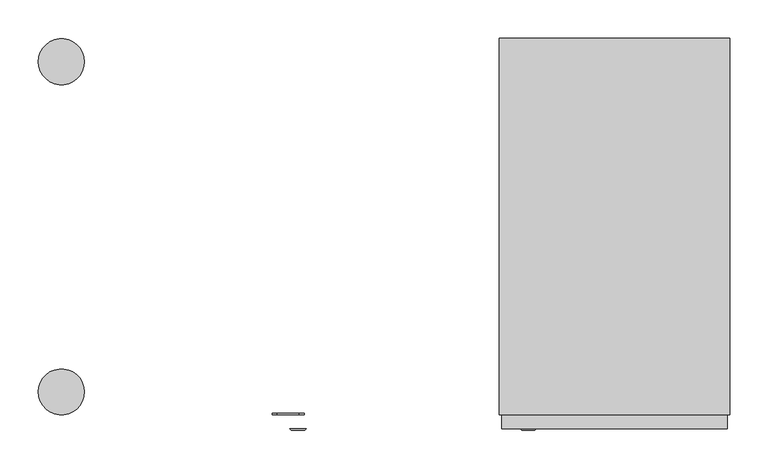
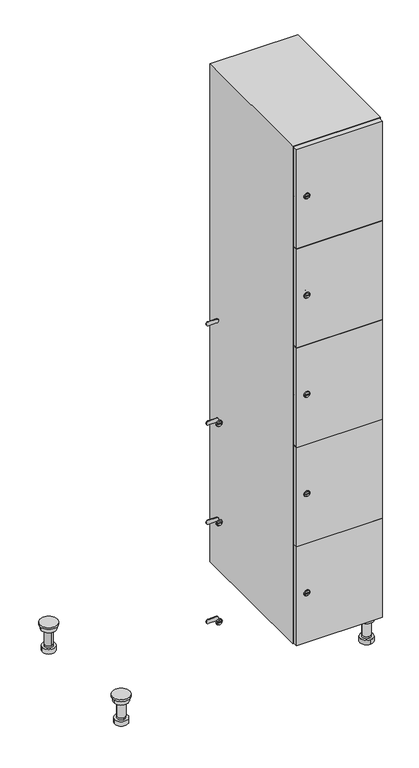
"""IFC4 building model written with IfcOpenShell, lengths in millimetres: furniture geometry."""

from ifc_helpers import new_model, si_unit, point, frame, frame_2d, origin, place, context, project, spatial, polyline, circle_curve, trimmed, segment, composite_curve, outline, extrude, faceted_brep, source, transform, mapped, element, save
from ifc_brep_helpers import plane_surface, cylinder_surface, revolved_surface, advanced_brep


def furniture_c648f537(model_context):
    return source(origin(), model_context, "Body", "SolidModel", [
        advanced_brep(
        [(670.0, -201.0, 22.0), (670.0, -201.5, 16.0), (670.0, -228.5, 16.0), (670.0, -229.0, 22.0), (656.0, -215.0, 22.0), (684.0, -215.0, 22.0), (670.0, -192.5, 16.0), (670.0, -237.5, 16.0), (670.0, -192.5, 0.0), (670.0, -237.5, 0.0), (684.0, -215.0, 78.0), (656.0, -215.0, 78.0), (695.0, -215.0, 78.0), (645.0, -215.0, 78.0), (700.0, -215.0, 94.0), (640.0, -215.0, 94.0), (645.0, -215.0, 94.0), (695.0, -215.0, 94.0), (700.0, -215.0, 100.0), (640.0, -215.0, 100.0)],
        [
            (0, 1),
            (1, 2, circle_curve(frame((670.0, -215.0, 16.0), z_axis=(0.0, 0.0, 1.0), x_axis=(0.0, -1.0, 0.0)), 13.5)),
            (2, 3),
            (3, 4, circle_curve(frame((670.0, -215.0, 22.0), z_axis=(0.0, 0.0, -1.0), x_axis=(0.0, -1.0, 0.0)), 14.0)),
            (4, 0, circle_curve(frame((670.0, -215.0, 22.0), z_axis=(0.0, 0.0, -1.0), x_axis=(0.0, -1.0, 0.0)), 14.0)),
            (0, 5, circle_curve(frame((670.0, -215.0, 22.0), z_axis=(0.0, 0.0, -1.0), x_axis=(0.0, 1.0, 0.0)), 14.0)),
            (5, 3, circle_curve(frame((670.0, -215.0, 22.0), z_axis=(0.0, 0.0, -1.0), x_axis=(0.0, 1.0, 0.0)), 14.0)),
            (2, 1, circle_curve(frame((670.0, -215.0, 16.0), z_axis=(0.0, 0.0, 1.0), x_axis=(0.0, 1.0, 0.0)), 13.5)),
            (6, 7, circle_curve(frame((670.0, -215.0, 16.0), z_axis=(0.0, 0.0, 1.0), x_axis=(0.0, -1.0, 0.0)), 22.5)),
            (7, 6, circle_curve(frame((670.0, -215.0, 16.0), z_axis=(0.0, 0.0, 1.0), x_axis=(0.0, -1.0, 0.0)), 22.5)),
            (8, 9, circle_curve(frame((670.0, -215.0, 0.0), z_axis=(0.0, 0.0, -1.0), x_axis=(0.0, -1.0, 0.0)), 22.5)),
            (9, 8, circle_curve(frame((670.0, -215.0, 0.0), z_axis=(0.0, 0.0, -1.0), x_axis=(0.0, -1.0, 0.0)), 22.5)),
            (6, 8),
            (9, 7),
            (5, 10),
            (10, 11, circle_curve(frame((670.0, -215.0, 78.0), z_axis=(0.0, 0.0, -1.0), x_axis=(-1.0, 0.0, 0.0)), 14.0)),
            (11, 4),
            (11, 10, circle_curve(frame((670.0, -215.0, 78.0), z_axis=(0.0, 0.0, -1.0), x_axis=(-1.0, 0.0, 0.0)), 14.0)),
            (12, 13, circle_curve(frame((670.0, -215.0, 78.0), z_axis=(0.0, 0.0, -1.0), x_axis=(-1.0, 0.0, 0.0)), 25.0)),
            (13, 12, circle_curve(frame((670.0, -215.0, 78.0), z_axis=(0.0, 0.0, -1.0), x_axis=(-1.0, 0.0, 0.0)), 25.0)),
            (14, 15, circle_curve(frame((670.0, -215.0, 94.0), z_axis=(0.0, 0.0, -1.0), x_axis=(-1.0, 0.0, 0.0)), 30.0)),
            (15, 14, circle_curve(frame((670.0, -215.0, 94.0), z_axis=(0.0, 0.0, -1.0), x_axis=(-1.0, 0.0, 0.0)), 30.0)),
            (16, 17, circle_curve(frame((670.0, -215.0, 94.0), z_axis=(0.0, 0.0, 1.0), x_axis=(-1.0, 0.0, 0.0)), 25.0)),
            (17, 16, circle_curve(frame((670.0, -215.0, 94.0), z_axis=(0.0, 0.0, 1.0), x_axis=(-1.0, 0.0, 0.0)), 25.0)),
            (18, 19, circle_curve(frame((670.0, -215.0, 100.0), z_axis=(0.0, 0.0, 1.0), x_axis=(-1.0, 0.0, 0.0)), 30.0)),
            (19, 18, circle_curve(frame((670.0, -215.0, 100.0), z_axis=(0.0, 0.0, 1.0), x_axis=(-1.0, 0.0, 0.0)), 30.0)),
            (14, 18),
            (19, 15),
            (12, 17),
            (16, 13),
        ],
        [
            revolved_surface(polyline([(670.0, -201.5, 16.0), (670.0, -201.0, 22.0)]), (670.0, -215.0, -146.0), (0.0, 0.0, 1.0)),
            plane_surface(frame((670.0, 0.0, 16.0), z_axis=(0.0, 0.0, 1.0), x_axis=(0.0, -1.0, 0.0))),
            plane_surface(frame((670.0, 0.0, 0.0), z_axis=(0.0, 0.0, -1.0), x_axis=(0.0, -1.0, 0.0))),
            cylinder_surface(frame((670.0, -215.0, 16.0), z_axis=(0.0, 0.0, 1.0), x_axis=(0.0, -1.0, 0.0)), 22.5),
            cylinder_surface(frame((670.0, -215.0, 22.0), z_axis=(0.0, 0.0, -1.0), x_axis=(-1.0, 0.0, 0.0)), 14.0),
            plane_surface(frame((670.0, 0.0, 78.0), z_axis=(0.0, 0.0, -1.0), x_axis=(0.0, -1.0, 0.0))),
            plane_surface(frame((670.0, 0.0, 94.0), z_axis=(0.0, 0.0, -1.0), x_axis=(0.0, -1.0, 0.0))),
            plane_surface(frame((670.0, 0.0, 100.0), z_axis=(0.0, 0.0, 1.0), x_axis=(0.0, -1.0, 0.0))),
            cylinder_surface(frame((670.0, -215.0, 94.0), z_axis=(0.0, 0.0, -1.0), x_axis=(-1.0, 0.0, 0.0)), 30.0),
            cylinder_surface(frame((670.0, -215.0, 78.0), z_axis=(0.0, 0.0, -1.0), x_axis=(-1.0, 0.0, 0.0)), 25.0),
        ],
        [
            (0, [[1, 2, 3, 4, 5]]),
            (0, [[-1, 6, 7, -3, 8]]),
            (1, [[9, 10], [-2, -8]]),
            (2, [[11, 12]]),
            (3, [[-9, 13, -12, 14]]),
            (3, [[-10, -14, -11, -13]]),
            (4, [[15, 16, 17, -4, -7]]),
            (4, [[-15, -6, -5, -17, 18]]),
            (5, [[19, 20], [-16, -18]]),
            (6, [[21, 22], [23, 24]]),
            (7, [[25, 26]]),
            (8, [[-21, 27, -26, 28]]),
            (8, [[-22, -28, -25, -27]]),
            (9, [[-19, 29, -23, 30]]),
            (9, [[-20, -30, -24, -29]]),
        ],
    ),
        advanced_brep(
        [(-170.0, -201.0, 22.0), (-170.0, -201.5, 16.0), (-170.0, -228.5, 16.0), (-170.0, -229.0, 22.0), (-184.0, -215.0, 22.0), (-156.0, -215.0, 22.0), (-147.5, -215.0, 0.0), (-192.5, -215.0, 0.0), (-147.5, -215.0, 16.0), (-192.5, -215.0, 16.0), (-156.0, -215.0, 78.0), (-184.0, -215.0, 78.0), (-145.0, -215.0, 78.0), (-195.0, -215.0, 78.0), (-140.0, -215.0, 94.0), (-200.0, -215.0, 94.0), (-195.0, -215.0, 94.0), (-145.0, -215.0, 94.0), (-140.0, -215.0, 100.0), (-200.0, -215.0, 100.0)],
        [
            (0, 1),
            (1, 2, circle_curve(frame((-170.0, -215.0, 16.0), z_axis=(0.0, 0.0, 1.0), x_axis=(0.0, -1.0, 0.0)), 13.5)),
            (2, 3),
            (3, 4, circle_curve(frame((-170.0, -215.0, 22.0), z_axis=(0.0, 0.0, -1.0), x_axis=(0.0, -1.0, 0.0)), 14.0)),
            (4, 0, circle_curve(frame((-170.0, -215.0, 22.0), z_axis=(0.0, 0.0, -1.0), x_axis=(0.0, -1.0, 0.0)), 14.0)),
            (0, 5, circle_curve(frame((-170.0, -215.0, 22.0), z_axis=(0.0, 0.0, -1.0), x_axis=(0.0, 1.0, 0.0)), 14.0)),
            (5, 3, circle_curve(frame((-170.0, -215.0, 22.0), z_axis=(0.0, 0.0, -1.0), x_axis=(0.0, 1.0, 0.0)), 14.0)),
            (2, 1, circle_curve(frame((-170.0, -215.0, 16.0), z_axis=(0.0, 0.0, 1.0), x_axis=(0.0, 1.0, 0.0)), 13.5)),
            (6, 7, circle_curve(frame((-170.0, -215.0, 0.0), z_axis=(0.0, 0.0, -1.0), x_axis=(-1.0, 0.0, 0.0)), 22.5)),
            (7, 6, circle_curve(frame((-170.0, -215.0, 0.0), z_axis=(0.0, 0.0, -1.0), x_axis=(-1.0, 0.0, 0.0)), 22.5)),
            (8, 9, circle_curve(frame((-170.0, -215.0, 16.0), z_axis=(0.0, 0.0, 1.0), x_axis=(-1.0, 0.0, 0.0)), 22.5)),
            (9, 8, circle_curve(frame((-170.0, -215.0, 16.0), z_axis=(0.0, 0.0, 1.0), x_axis=(-1.0, 0.0, 0.0)), 22.5)),
            (6, 8),
            (9, 7),
            (5, 10),
            (10, 11, circle_curve(frame((-170.0, -215.0, 78.0), z_axis=(0.0, 0.0, -1.0), x_axis=(-1.0, 0.0, 0.0)), 14.0)),
            (11, 4),
            (11, 10, circle_curve(frame((-170.0, -215.0, 78.0), z_axis=(0.0, 0.0, -1.0), x_axis=(-1.0, 0.0, 0.0)), 14.0)),
            (12, 13, circle_curve(frame((-170.0, -215.0, 78.0), z_axis=(0.0, 0.0, -1.0), x_axis=(-1.0, 0.0, 0.0)), 25.0)),
            (13, 12, circle_curve(frame((-170.0, -215.0, 78.0), z_axis=(0.0, 0.0, -1.0), x_axis=(-1.0, 0.0, 0.0)), 25.0)),
            (14, 15, circle_curve(frame((-170.0, -215.0, 94.0), z_axis=(0.0, 0.0, -1.0), x_axis=(-1.0, 0.0, 0.0)), 30.0)),
            (15, 14, circle_curve(frame((-170.0, -215.0, 94.0), z_axis=(0.0, 0.0, -1.0), x_axis=(-1.0, 0.0, 0.0)), 30.0)),
            (16, 17, circle_curve(frame((-170.0, -215.0, 94.0), z_axis=(0.0, 0.0, 1.0), x_axis=(-1.0, 0.0, 0.0)), 25.0)),
            (17, 16, circle_curve(frame((-170.0, -215.0, 94.0), z_axis=(0.0, 0.0, 1.0), x_axis=(-1.0, 0.0, 0.0)), 25.0)),
            (18, 19, circle_curve(frame((-170.0, -215.0, 100.0), z_axis=(0.0, 0.0, 1.0), x_axis=(-1.0, 0.0, 0.0)), 30.0)),
            (19, 18, circle_curve(frame((-170.0, -215.0, 100.0), z_axis=(0.0, 0.0, 1.0), x_axis=(-1.0, 0.0, 0.0)), 30.0)),
            (14, 18),
            (19, 15),
            (12, 17),
            (16, 13),
        ],
        [
            revolved_surface(polyline([(-170.0, -201.5, 16.0), (-170.0, -201.0, 22.0)]), (-170.0, -215.0, -146.0), (0.0, 0.0, 1.0)),
            plane_surface(frame((-170.0, 0.0, 0.0), z_axis=(0.0, 0.0, -1.0), x_axis=(0.0, -1.0, 0.0))),
            plane_surface(frame((-170.0, 0.0, 16.0), z_axis=(0.0, 0.0, 1.0), x_axis=(0.0, -1.0, 0.0))),
            cylinder_surface(frame((-170.0, -215.0, 0.0), z_axis=(0.0, 0.0, -1.0), x_axis=(-1.0, 0.0, 0.0)), 22.5),
            cylinder_surface(frame((-170.0, -215.0, 22.0), z_axis=(0.0, 0.0, -1.0), x_axis=(-1.0, 0.0, 0.0)), 14.0),
            plane_surface(frame((-170.0, 0.0, 78.0), z_axis=(0.0, 0.0, -1.0), x_axis=(0.0, -1.0, 0.0))),
            plane_surface(frame((-170.0, 0.0, 94.0), z_axis=(0.0, 0.0, -1.0), x_axis=(0.0, -1.0, 0.0))),
            plane_surface(frame((-170.0, 0.0, 100.0), z_axis=(0.0, 0.0, 1.0), x_axis=(0.0, -1.0, 0.0))),
            cylinder_surface(frame((-170.0, -215.0, 94.0), z_axis=(0.0, 0.0, -1.0), x_axis=(-1.0, 0.0, 0.0)), 30.0),
            cylinder_surface(frame((-170.0, -215.0, 78.0), z_axis=(0.0, 0.0, -1.0), x_axis=(-1.0, 0.0, 0.0)), 25.0),
        ],
        [
            (0, [[1, 2, 3, 4, 5]]),
            (0, [[-1, 6, 7, -3, 8]]),
            (1, [[9, 10]]),
            (2, [[11, 12], [-2, -8]]),
            (3, [[-9, 13, -12, 14]]),
            (3, [[-10, -14, -11, -13]]),
            (4, [[15, 16, 17, -4, -7]]),
            (4, [[-15, -6, -5, -17, 18]]),
            (5, [[19, 20], [-16, -18]]),
            (6, [[21, 22], [23, 24]]),
            (7, [[25, 26]]),
            (8, [[-21, 27, -26, 28]]),
            (8, [[-22, -28, -25, -27]]),
            (9, [[-19, 29, -23, 30]]),
            (9, [[-20, -30, -24, -29]]),
        ],
    ),
        advanced_brep(
        [(683.5, 215.0, 16.0), (684.0, 215.0, 22.0), (656.0, 215.0, 22.0), (656.5, 215.0, 16.0), (692.5, 215.0, 0.0), (647.5, 215.0, 0.0), (692.5, 215.0, 16.0), (647.5, 215.0, 16.0), (684.0, 215.0, 78.0), (656.0, 215.0, 78.0), (695.0, 215.0, 78.0), (645.0, 215.0, 78.0), (700.0, 215.0, 94.0), (640.0, 215.0, 94.0), (645.0, 215.0, 94.0), (695.0, 215.0, 94.0), (700.0, 215.0, 100.0), (640.0, 215.0, 100.0)],
        [
            (0, 1),
            (1, 2, circle_curve(frame((670.0, 215.0, 22.0), z_axis=(0.0, 0.0, -1.0), x_axis=(-1.0, 0.0, 0.0)), 14.0)),
            (2, 3),
            (3, 0, circle_curve(frame((670.0, 215.0, 16.0), z_axis=(0.0, 0.0, 1.0), x_axis=(-1.0, 0.0, 0.0)), 13.5)),
            (0, 3, circle_curve(frame((670.0, 215.0, 16.0), z_axis=(0.0, 0.0, 1.0), x_axis=(1.0, 0.0, 0.0)), 13.5)),
            (2, 1, circle_curve(frame((670.0, 215.0, 22.0), z_axis=(0.0, 0.0, -1.0), x_axis=(1.0, 0.0, 0.0)), 14.0)),
            (4, 5, circle_curve(frame((670.0, 215.0, 0.0), z_axis=(0.0, 0.0, -1.0), x_axis=(-1.0, 0.0, 0.0)), 22.5)),
            (5, 4, circle_curve(frame((670.0, 215.0, 0.0), z_axis=(0.0, 0.0, -1.0), x_axis=(-1.0, 0.0, 0.0)), 22.5)),
            (6, 7, circle_curve(frame((670.0, 215.0, 16.0), z_axis=(0.0, 0.0, 1.0), x_axis=(-1.0, 0.0, 0.0)), 22.5)),
            (7, 6, circle_curve(frame((670.0, 215.0, 16.0), z_axis=(0.0, 0.0, 1.0), x_axis=(-1.0, 0.0, 0.0)), 22.5)),
            (4, 6),
            (7, 5),
            (1, 8),
            (8, 9, circle_curve(frame((670.0, 215.0, 78.0), z_axis=(0.0, 0.0, -1.0), x_axis=(-1.0, 0.0, 0.0)), 14.0)),
            (9, 2),
            (9, 8, circle_curve(frame((670.0, 215.0, 78.0), z_axis=(0.0, 0.0, -1.0), x_axis=(-1.0, 0.0, 0.0)), 14.0)),
            (10, 11, circle_curve(frame((670.0, 215.0, 78.0), z_axis=(0.0, 0.0, -1.0), x_axis=(-1.0, 0.0, 0.0)), 25.0)),
            (11, 10, circle_curve(frame((670.0, 215.0, 78.0), z_axis=(0.0, 0.0, -1.0), x_axis=(-1.0, 0.0, 0.0)), 25.0)),
            (12, 13, circle_curve(frame((670.0, 215.0, 94.0), z_axis=(0.0, 0.0, -1.0), x_axis=(-1.0, 0.0, 0.0)), 30.0)),
            (13, 12, circle_curve(frame((670.0, 215.0, 94.0), z_axis=(0.0, 0.0, -1.0), x_axis=(-1.0, 0.0, 0.0)), 30.0)),
            (14, 15, circle_curve(frame((670.0, 215.0, 94.0), z_axis=(0.0, 0.0, 1.0), x_axis=(-1.0, 0.0, 0.0)), 25.0)),
            (15, 14, circle_curve(frame((670.0, 215.0, 94.0), z_axis=(0.0, 0.0, 1.0), x_axis=(-1.0, 0.0, 0.0)), 25.0)),
            (16, 17, circle_curve(frame((670.0, 215.0, 100.0), z_axis=(0.0, 0.0, 1.0), x_axis=(-1.0, 0.0, 0.0)), 30.0)),
            (17, 16, circle_curve(frame((670.0, 215.0, 100.0), z_axis=(0.0, 0.0, 1.0), x_axis=(-1.0, 0.0, 0.0)), 30.0)),
            (12, 16),
            (17, 13),
            (10, 15),
            (14, 11),
        ],
        [
            revolved_surface(polyline([(683.5, 215.0, 16.0), (684.0, 215.0, 22.0)]), (670.0, 215.0, -146.0), (0.0, 0.0, 1.0)),
            plane_surface(frame((670.0, 0.0, 0.0), z_axis=(0.0, 0.0, -1.0), x_axis=(0.0, -1.0, 0.0))),
            plane_surface(frame((670.0, 0.0, 16.0), z_axis=(0.0, 0.0, 1.0), x_axis=(0.0, -1.0, 0.0))),
            cylinder_surface(frame((670.0, 215.0, 0.0), z_axis=(0.0, 0.0, -1.0), x_axis=(-1.0, 0.0, 0.0)), 22.5),
            cylinder_surface(frame((670.0, 215.0, 22.0), z_axis=(0.0, 0.0, -1.0), x_axis=(-1.0, 0.0, 0.0)), 14.0),
            plane_surface(frame((670.0, 0.0, 78.0), z_axis=(0.0, 0.0, -1.0), x_axis=(0.0, -1.0, 0.0))),
            plane_surface(frame((670.0, 0.0, 94.0), z_axis=(0.0, 0.0, -1.0), x_axis=(0.0, -1.0, 0.0))),
            plane_surface(frame((670.0, 0.0, 100.0), z_axis=(0.0, 0.0, 1.0), x_axis=(0.0, -1.0, 0.0))),
            cylinder_surface(frame((670.0, 215.0, 94.0), z_axis=(0.0, 0.0, -1.0), x_axis=(-1.0, 0.0, 0.0)), 30.0),
            cylinder_surface(frame((670.0, 215.0, 78.0), z_axis=(0.0, 0.0, -1.0), x_axis=(-1.0, 0.0, 0.0)), 25.0),
        ],
        [
            (0, [[1, 2, 3, 4]]),
            (0, [[-1, 5, -3, 6]]),
            (1, [[7, 8]]),
            (2, [[9, 10], [-4, -5]]),
            (3, [[-7, 11, -10, 12]]),
            (3, [[-8, -12, -9, -11]]),
            (4, [[13, 14, 15, -2]]),
            (4, [[-13, -6, -15, 16]]),
            (5, [[17, 18], [-14, -16]]),
            (6, [[19, 20], [21, 22]]),
            (7, [[23, 24]]),
            (8, [[-19, 25, -24, 26]]),
            (8, [[-20, -26, -23, -25]]),
            (9, [[-17, 27, -21, 28]]),
            (9, [[-18, -28, -22, -27]]),
        ],
    ),
        advanced_brep(
        [(-156.5, 215.0, 16.0), (-156.0, 215.0, 22.0), (-170.0, 201.0, 22.0), (-184.0, 215.0, 22.0), (-183.5, 215.0, 16.0), (-170.0, 229.0, 22.0), (-147.5, 215.0, 0.0), (-192.5, 215.0, 0.0), (-147.5, 215.0, 16.0), (-192.5, 215.0, 16.0), (-170.0, 229.0, 78.0), (-170.0, 201.0, 78.0), (-145.0, 215.0, 78.0), (-195.0, 215.0, 78.0), (-140.0, 215.0, 94.0), (-200.0, 215.0, 94.0), (-195.0, 215.0, 94.0), (-145.0, 215.0, 94.0), (-140.0, 215.0, 100.0), (-200.0, 215.0, 100.0)],
        [
            (0, 1),
            (1, 2, circle_curve(frame((-170.0, 215.0, 22.0), z_axis=(0.0, 0.0, -1.0), x_axis=(-1.0, 0.0, 0.0)), 14.0)),
            (2, 3, circle_curve(frame((-170.0, 215.0, 22.0), z_axis=(0.0, 0.0, -1.0), x_axis=(-1.0, 0.0, 0.0)), 14.0)),
            (3, 4),
            (4, 0, circle_curve(frame((-170.0, 215.0, 16.0), z_axis=(0.0, 0.0, 1.0), x_axis=(-1.0, 0.0, 0.0)), 13.5)),
            (0, 4, circle_curve(frame((-170.0, 215.0, 16.0), z_axis=(0.0, 0.0, 1.0), x_axis=(1.0, 0.0, 0.0)), 13.5)),
            (3, 5, circle_curve(frame((-170.0, 215.0, 22.0), z_axis=(0.0, 0.0, -1.0), x_axis=(1.0, 0.0, 0.0)), 14.0)),
            (5, 1, circle_curve(frame((-170.0, 215.0, 22.0), z_axis=(0.0, 0.0, -1.0), x_axis=(1.0, 0.0, 0.0)), 14.0)),
            (6, 7, circle_curve(frame((-170.0, 215.0, 0.0), z_axis=(0.0, 0.0, -1.0), x_axis=(-1.0, 0.0, 0.0)), 22.5)),
            (7, 6, circle_curve(frame((-170.0, 215.0, 0.0), z_axis=(0.0, 0.0, -1.0), x_axis=(-1.0, 0.0, 0.0)), 22.5)),
            (8, 9, circle_curve(frame((-170.0, 215.0, 16.0), z_axis=(0.0, 0.0, 1.0), x_axis=(-1.0, 0.0, 0.0)), 22.5)),
            (9, 8, circle_curve(frame((-170.0, 215.0, 16.0), z_axis=(0.0, 0.0, 1.0), x_axis=(-1.0, 0.0, 0.0)), 22.5)),
            (6, 8),
            (9, 7),
            (10, 5),
            (2, 11),
            (11, 10, circle_curve(frame((-170.0, 215.0, 78.0), z_axis=(0.0, 0.0, -1.0), x_axis=(0.0, -1.0, 0.0)), 14.0)),
            (10, 11, circle_curve(frame((-170.0, 215.0, 78.0), z_axis=(0.0, 0.0, -1.0), x_axis=(0.0, -1.0, 0.0)), 14.0)),
            (12, 13, circle_curve(frame((-170.0, 215.0, 78.0), z_axis=(0.0, 0.0, -1.0), x_axis=(-1.0, 0.0, 0.0)), 25.0)),
            (13, 12, circle_curve(frame((-170.0, 215.0, 78.0), z_axis=(0.0, 0.0, -1.0), x_axis=(-1.0, 0.0, 0.0)), 25.0)),
            (14, 15, circle_curve(frame((-170.0, 215.0, 94.0), z_axis=(0.0, 0.0, -1.0), x_axis=(-1.0, 0.0, 0.0)), 30.0)),
            (15, 14, circle_curve(frame((-170.0, 215.0, 94.0), z_axis=(0.0, 0.0, -1.0), x_axis=(-1.0, 0.0, 0.0)), 30.0)),
            (16, 17, circle_curve(frame((-170.0, 215.0, 94.0), z_axis=(0.0, 0.0, 1.0), x_axis=(-1.0, 0.0, 0.0)), 25.0)),
            (17, 16, circle_curve(frame((-170.0, 215.0, 94.0), z_axis=(0.0, 0.0, 1.0), x_axis=(-1.0, 0.0, 0.0)), 25.0)),
            (18, 19, circle_curve(frame((-170.0, 215.0, 100.0), z_axis=(0.0, 0.0, 1.0), x_axis=(-1.0, 0.0, 0.0)), 30.0)),
            (19, 18, circle_curve(frame((-170.0, 215.0, 100.0), z_axis=(0.0, 0.0, 1.0), x_axis=(-1.0, 0.0, 0.0)), 30.0)),
            (14, 18),
            (19, 15),
            (12, 17),
            (16, 13),
        ],
        [
            revolved_surface(polyline([(-156.5, 215.0, 16.0), (-156.0, 215.0, 22.0)]), (-170.0, 215.0, -146.0), (0.0, 0.0, 1.0)),
            plane_surface(frame((-170.0, 0.0, 0.0), z_axis=(0.0, 0.0, -1.0), x_axis=(0.0, -1.0, 0.0))),
            plane_surface(frame((-170.0, 0.0, 16.0), z_axis=(0.0, 0.0, 1.0), x_axis=(0.0, -1.0, 0.0))),
            cylinder_surface(frame((-170.0, 215.0, 0.0), z_axis=(0.0, 0.0, -1.0), x_axis=(-1.0, 0.0, 0.0)), 22.5),
            cylinder_surface(frame((-170.0, 215.0, 78.0), z_axis=(0.0, 0.0, 1.0), x_axis=(0.0, -1.0, 0.0)), 14.0),
            plane_surface(frame((-170.0, 0.0, 78.0), z_axis=(0.0, 0.0, -1.0), x_axis=(0.0, -1.0, 0.0))),
            plane_surface(frame((-170.0, 0.0, 94.0), z_axis=(0.0, 0.0, -1.0), x_axis=(0.0, -1.0, 0.0))),
            plane_surface(frame((-170.0, 0.0, 100.0), z_axis=(0.0, 0.0, 1.0), x_axis=(0.0, -1.0, 0.0))),
            cylinder_surface(frame((-170.0, 215.0, 94.0), z_axis=(0.0, 0.0, -1.0), x_axis=(-1.0, 0.0, 0.0)), 30.0),
            cylinder_surface(frame((-170.0, 215.0, 78.0), z_axis=(0.0, 0.0, -1.0), x_axis=(-1.0, 0.0, 0.0)), 25.0),
        ],
        [
            (0, [[1, 2, 3, 4, 5]]),
            (0, [[-1, 6, -4, 7, 8]]),
            (1, [[9, 10]]),
            (2, [[11, 12], [-5, -6]]),
            (3, [[-9, 13, -12, 14]]),
            (3, [[-10, -14, -11, -13]]),
            (4, [[15, -7, -3, 16, 17]]),
            (4, [[-15, 18, -16, -2, -8]]),
            (5, [[19, 20], [-17, -18]]),
            (6, [[21, 22], [23, 24]]),
            (7, [[25, 26]]),
            (8, [[-21, 27, -26, 28]]),
            (8, [[-22, -28, -25, -27]]),
            (9, [[-19, 29, -23, 30]]),
            (9, [[-20, -30, -24, -29]]),
        ],
    ),
        extrude(outline(composite_curve([segment(trimmed(circle_curve(frame_2d((282.4, 411.2010534)), 7.0), [point((289.4, 411.2010534))], [point((275.4, 411.2010534))], False, "CARTESIAN"), True, "CONTINUOUS"), segment(polyline([(275.4, 411.2010534), (275.4, 439.2010534)]), True, "CONTINUOUS"), segment(trimmed(circle_curve(frame_2d((282.4, 439.2010534)), 7.0), [point((275.4, 439.2010534))], [point((289.4, 439.2010534))], False, "CARTESIAN"), True, "CONTINUOUS"), segment(polyline([(289.4, 439.2010534), (289.4, 411.2010534)]), True, "CONTINUOUS")], self_intersect=False)), frame((0.0, -245.0, 0.0), z_axis=(0.0, 1.0, 0.0), x_axis=(0.0, 0.0, 1.0)), (0.0, 0.0, 1.0), 2.0),
        advanced_brep(
        [(446.5, -265.2, 282.4), (429.5, -265.2, 282.4), (433.0, -265.2, 281.15), (433.0, -265.2, 283.65), (443.0, -265.2, 283.65), (443.0, -265.2, 281.15), (448.5, -263.0, 282.4), (427.5, -263.0, 282.4), (433.0, -263.0, 283.65), (433.0, -263.0, 281.15), (443.0, -263.0, 281.15), (443.0, -263.0, 283.65)],
        [
            (0, 1, circle_curve(frame((438.0, -265.2, 282.4), z_axis=(0.0, -1.0, 0.0), x_axis=(1.0, 0.0, 0.0)), 8.5)),
            (1, 0, circle_curve(frame((438.0, -265.2, 282.4), z_axis=(0.0, -1.0, 0.0), x_axis=(-1.0, 0.0, 0.0)), 8.5)),
            (2, 3),
            (3, 4),
            (4, 5),
            (5, 2),
            (6, 7, circle_curve(frame((438.0, -263.0, 282.4), z_axis=(0.0, 1.0, 0.0), x_axis=(-1.0, 0.0, 0.0)), 10.5)),
            (7, 6, circle_curve(frame((438.0, -263.0, 282.4), z_axis=(0.0, 1.0, 0.0), x_axis=(1.0, 0.0, 0.0)), 10.5)),
            (8, 9),
            (9, 10),
            (10, 11),
            (11, 8),
            (0, 6),
            (7, 1),
            (8, 3),
            (2, 9),
            (11, 4),
            (10, 5),
        ],
        [
            plane_surface(frame((438.0, -265.2, 282.4), z_axis=(0.0, -1.0, 0.0), x_axis=(0.0, 0.0, 1.0))),
            plane_surface(frame((438.0, -263.0, 282.4), z_axis=(0.0, 1.0, 0.0), x_axis=(0.0, 0.0, 1.0))),
            revolved_surface(polyline([(446.5, -265.2, 282.4), (448.5, -263.0, 282.4)]), (438.0, -274.55, 282.4), (0.0, 1.0, 0.0)),
            revolved_surface(polyline([(429.5, -265.2, 282.4), (427.5, -263.0, 282.4)]), (438.0, -274.55, 282.4), (0.0, 1.0, 0.0)),
            plane_surface(frame((433.0, -263.0, 281.15), z_axis=(1.0, 0.0, 0.0), x_axis=(0.0, -1.0, 0.0))),
            plane_surface(frame((433.0, -263.0, 283.65), z_axis=(0.0, 0.0, -1.0), x_axis=(0.0, -1.0, 0.0))),
            plane_surface(frame((443.0, -263.0, 283.65), z_axis=(-1.0, 0.0, 0.0), x_axis=(0.0, -1.0, 0.0))),
            plane_surface(frame((443.0, -263.0, 281.15), z_axis=(0.0, 0.0, 1.0), x_axis=(0.0, -1.0, 0.0))),
        ],
        [
            (0, [[1, 2], [3, 4, 5, 6]]),
            (1, [[7, 8], [9, 10, 11, 12]]),
            (2, [[-1, 13, -8, 14]]),
            (3, [[-2, -14, -7, -13]]),
            (4, [[15, -3, 16, -9]]),
            (5, [[-15, -12, 17, -4]]),
            (6, [[-17, -11, 18, -5]]),
            (7, [[-16, -6, -18, -10]]),
        ],
    ),
        extrude(outline(composite_curve([segment(trimmed(circle_curve(frame_2d((641.2, 411.2010534)), 7.0), [point((648.2, 411.2010534))], [point((634.2, 411.2010534))], False, "CARTESIAN"), True, "CONTINUOUS"), segment(polyline([(634.2, 411.2010534), (634.2, 439.2010534)]), True, "CONTINUOUS"), segment(trimmed(circle_curve(frame_2d((641.2, 439.2010534)), 7.0), [point((634.2, 439.2010534))], [point((648.2, 439.2010534))], False, "CARTESIAN"), True, "CONTINUOUS"), segment(polyline([(648.2, 439.2010534), (648.2, 411.2010534)]), True, "CONTINUOUS")], self_intersect=False)), frame((0.0, -245.0, 0.0), z_axis=(0.0, 1.0, 0.0), x_axis=(0.0, 0.0, 1.0)), (0.0, 0.0, 1.0), 2.0),
        advanced_brep(
        [(446.5, -265.2, 641.2), (429.5, -265.2, 641.2), (433.0, -265.2, 639.95), (433.0, -265.2, 642.45), (443.0, -265.2, 642.45), (443.0, -265.2, 639.95), (448.5, -263.0, 641.2), (427.5, -263.0, 641.2), (433.0, -263.0, 642.45), (433.0, -263.0, 639.95), (443.0, -263.0, 639.95), (443.0, -263.0, 642.45)],
        [
            (0, 1, circle_curve(frame((438.0, -265.2, 641.2), z_axis=(0.0, -1.0, 0.0), x_axis=(1.0, 0.0, 0.0)), 8.5)),
            (1, 0, circle_curve(frame((438.0, -265.2, 641.2), z_axis=(0.0, -1.0, 0.0), x_axis=(-1.0, 0.0, 0.0)), 8.5)),
            (2, 3),
            (3, 4),
            (4, 5),
            (5, 2),
            (6, 7, circle_curve(frame((438.0, -263.0, 641.2), z_axis=(0.0, 1.0, 0.0), x_axis=(-1.0, 0.0, 0.0)), 10.5)),
            (7, 6, circle_curve(frame((438.0, -263.0, 641.2), z_axis=(0.0, 1.0, 0.0), x_axis=(1.0, 0.0, 0.0)), 10.5)),
            (8, 9),
            (9, 10),
            (10, 11),
            (11, 8),
            (0, 6),
            (7, 1),
            (8, 3),
            (2, 9),
            (11, 4),
            (10, 5),
        ],
        [
            plane_surface(frame((438.0, -265.2, 641.2), z_axis=(0.0, -1.0, 0.0), x_axis=(0.0, 0.0, 1.0))),
            plane_surface(frame((438.0, -263.0, 641.2), z_axis=(0.0, 1.0, 0.0), x_axis=(0.0, 0.0, 1.0))),
            revolved_surface(polyline([(446.5, -265.2, 641.2), (448.5, -263.0, 641.2)]), (438.0, -274.55, 641.2), (0.0, 1.0, 0.0)),
            revolved_surface(polyline([(429.5, -265.2, 641.2), (427.5, -263.0, 641.2)]), (438.0, -274.55, 641.2), (0.0, 1.0, 0.0)),
            plane_surface(frame((433.0, -263.0, 639.95), z_axis=(1.0, 0.0, 0.0), x_axis=(0.0, -1.0, 0.0))),
            plane_surface(frame((433.0, -263.0, 642.45), z_axis=(0.0, 0.0, -1.0), x_axis=(0.0, -1.0, 0.0))),
            plane_surface(frame((443.0, -263.0, 642.45), z_axis=(-1.0, 0.0, 0.0), x_axis=(0.0, -1.0, 0.0))),
            plane_surface(frame((443.0, -263.0, 639.95), z_axis=(0.0, 0.0, 1.0), x_axis=(0.0, -1.0, 0.0))),
        ],
        [
            (0, [[1, 2], [3, 4, 5, 6]]),
            (1, [[7, 8], [9, 10, 11, 12]]),
            (2, [[-1, 13, -8, 14]]),
            (3, [[-2, -14, -7, -13]]),
            (4, [[15, -3, 16, -9]]),
            (5, [[-15, -12, 17, -4]]),
            (6, [[-17, -11, 18, -5]]),
            (7, [[-16, -6, -18, -10]]),
        ],
    ),
        extrude(outline(composite_curve([segment(trimmed(circle_curve(frame_2d((1000.0, 411.2010534)), 7.0), [point((1007.0, 411.2010534))], [point((993.0, 411.2010534))], False, "CARTESIAN"), True, "CONTINUOUS"), segment(polyline([(993.0, 411.2010534), (993.0, 439.2010534)]), True, "CONTINUOUS"), segment(trimmed(circle_curve(frame_2d((1000.0, 439.2010534)), 7.0), [point((993.0, 439.2010534))], [point((1007.0, 439.2010534))], False, "CARTESIAN"), True, "CONTINUOUS"), segment(polyline([(1007.0, 439.2010534), (1007.0, 411.2010534)]), True, "CONTINUOUS")], self_intersect=False)), frame((0.0, -245.0, 0.0), z_axis=(0.0, 1.0, 0.0), x_axis=(0.0, 0.0, 1.0)), (0.0, 0.0, 1.0), 2.0),
        advanced_brep(
        [(446.5, -265.2, 1000.0), (429.5, -265.2, 1000.0), (433.0, -265.2, 998.75), (433.0, -265.2, 1001.25), (443.0, -265.2, 1001.25), (443.0, -265.2, 998.75), (448.5, -263.0, 1000.0), (427.5, -263.0, 1000.0), (433.0, -263.0, 1001.25), (433.0, -263.0, 998.75), (443.0, -263.0, 998.75), (443.0, -263.0, 1001.25)],
        [
            (0, 1, circle_curve(frame((438.0, -265.2, 1000.0), z_axis=(0.0, -1.0, 0.0), x_axis=(1.0, 0.0, 0.0)), 8.5)),
            (1, 0, circle_curve(frame((438.0, -265.2, 1000.0), z_axis=(0.0, -1.0, 0.0), x_axis=(-1.0, 0.0, 0.0)), 8.5)),
            (2, 3),
            (3, 4),
            (4, 5),
            (5, 2),
            (6, 7, circle_curve(frame((438.0, -263.0, 1000.0), z_axis=(0.0, 1.0, 0.0), x_axis=(-1.0, 0.0, 0.0)), 10.5)),
            (7, 6, circle_curve(frame((438.0, -263.0, 1000.0), z_axis=(0.0, 1.0, 0.0), x_axis=(1.0, 0.0, 0.0)), 10.5)),
            (8, 9),
            (9, 10),
            (10, 11),
            (11, 8),
            (0, 6),
            (7, 1),
            (8, 3),
            (2, 9),
            (11, 4),
            (10, 5),
        ],
        [
            plane_surface(frame((438.0, -265.2, 1000.0), z_axis=(0.0, -1.0, 0.0), x_axis=(0.0, 0.0, 1.0))),
            plane_surface(frame((438.0, -263.0, 1000.0), z_axis=(0.0, 1.0, 0.0), x_axis=(0.0, 0.0, 1.0))),
            revolved_surface(polyline([(446.5, -265.2, 1000.0), (448.5, -263.0, 1000.0)]), (438.0, -274.55, 1000.0), (0.0, 1.0, 0.0)),
            revolved_surface(polyline([(429.5, -265.2, 1000.0), (427.5, -263.0, 1000.0)]), (438.0, -274.55, 1000.0), (0.0, 1.0, 0.0)),
            plane_surface(frame((433.0, -263.0, 998.75), z_axis=(1.0, 0.0, 0.0), x_axis=(0.0, -1.0, 0.0))),
            plane_surface(frame((433.0, -263.0, 1001.25), z_axis=(0.0, 0.0, -1.0), x_axis=(0.0, -1.0, 0.0))),
            plane_surface(frame((443.0, -263.0, 1001.25), z_axis=(-1.0, 0.0, 0.0), x_axis=(0.0, -1.0, 0.0))),
            plane_surface(frame((443.0, -263.0, 998.75), z_axis=(0.0, 0.0, 1.0), x_axis=(0.0, -1.0, 0.0))),
        ],
        [
            (0, [[1, 2], [3, 4, 5, 6]]),
            (1, [[7, 8], [9, 10, 11, 12]]),
            (2, [[-1, 13, -8, 14]]),
            (3, [[-2, -14, -7, -13]]),
            (4, [[15, -3, 16, -9]]),
            (5, [[-15, -12, 17, -4]]),
            (6, [[-17, -11, 18, -5]]),
            (7, [[-16, -6, -18, -10]]),
        ],
    ),
        extrude(outline(composite_curve([segment(trimmed(circle_curve(frame_2d((1358.8, 411.2010534)), 7.0), [point((1365.8, 411.2010534))], [point((1351.8, 411.2010534))], False, "CARTESIAN"), True, "CONTINUOUS"), segment(polyline([(1351.8, 411.2010534), (1351.8, 439.2010534)]), True, "CONTINUOUS"), segment(trimmed(circle_curve(frame_2d((1358.8, 439.2010534)), 7.0), [point((1351.8, 439.2010534))], [point((1365.8, 439.2010534))], False, "CARTESIAN"), True, "CONTINUOUS"), segment(polyline([(1365.8, 439.2010534), (1365.8, 411.2010534)]), True, "CONTINUOUS")], self_intersect=False)), frame((0.0, -245.0, 0.0), z_axis=(0.0, 1.0, 0.0), x_axis=(0.0, 0.0, 1.0)), (0.0, 0.0, 1.0), 2.0),
        advanced_brep(
        [(446.5, -265.2, 1358.8), (429.5, -265.2, 1358.8), (433.0, -265.2, 1357.55), (433.0, -265.2, 1360.05), (443.0, -265.2, 1360.05), (443.0, -265.2, 1357.55), (448.5, -263.0, 1358.8), (427.5, -263.0, 1358.8), (433.0, -263.0, 1360.05), (433.0, -263.0, 1357.55), (443.0, -263.0, 1357.55), (443.0, -263.0, 1360.05)],
        [
            (0, 1, circle_curve(frame((438.0, -265.2, 1358.8), z_axis=(0.0, -1.0, 0.0), x_axis=(1.0, 0.0, 0.0)), 8.5)),
            (1, 0, circle_curve(frame((438.0, -265.2, 1358.8), z_axis=(0.0, -1.0, 0.0), x_axis=(-1.0, 0.0, 0.0)), 8.5)),
            (2, 3),
            (3, 4),
            (4, 5),
            (5, 2),
            (6, 7, circle_curve(frame((438.0, -263.0, 1358.8), z_axis=(0.0, 1.0, 0.0), x_axis=(-1.0, 0.0, 0.0)), 10.5)),
            (7, 6, circle_curve(frame((438.0, -263.0, 1358.8), z_axis=(0.0, 1.0, 0.0), x_axis=(1.0, 0.0, 0.0)), 10.5)),
            (8, 9),
            (9, 10),
            (10, 11),
            (11, 8),
            (0, 6),
            (7, 1),
            (8, 3),
            (2, 9),
            (11, 4),
            (10, 5),
        ],
        [
            plane_surface(frame((438.0, -265.2, 1358.8), z_axis=(0.0, -1.0, 0.0), x_axis=(0.0, 0.0, 1.0))),
            plane_surface(frame((438.0, -263.0, 1358.8), z_axis=(0.0, 1.0, 0.0), x_axis=(0.0, 0.0, 1.0))),
            revolved_surface(polyline([(446.5, -265.2, 1358.8), (448.5, -263.0, 1358.8)]), (438.0, -274.55, 1358.8), (0.0, 1.0, 0.0)),
            revolved_surface(polyline([(429.5, -265.2, 1358.8), (427.5, -263.0, 1358.8)]), (438.0, -274.55, 1358.8), (0.0, 1.0, 0.0)),
            plane_surface(frame((433.0, -263.0, 1357.55), z_axis=(1.0, 0.0, 0.0), x_axis=(0.0, -1.0, 0.0))),
            plane_surface(frame((433.0, -263.0, 1360.05), z_axis=(0.0, 0.0, -1.0), x_axis=(0.0, -1.0, 0.0))),
            plane_surface(frame((443.0, -263.0, 1360.05), z_axis=(-1.0, 0.0, 0.0), x_axis=(0.0, -1.0, 0.0))),
            plane_surface(frame((443.0, -263.0, 1357.55), z_axis=(0.0, 0.0, 1.0), x_axis=(0.0, -1.0, 0.0))),
        ],
        [
            (0, [[1, 2], [3, 4, 5, 6]]),
            (1, [[7, 8], [9, 10, 11, 12]]),
            (2, [[-1, 13, -8, 14]]),
            (3, [[-2, -14, -7, -13]]),
            (4, [[15, -3, 16, -9]]),
            (5, [[-15, -12, 17, -4]]),
            (6, [[-17, -11, 18, -5]]),
            (7, [[-16, -6, -18, -10]]),
        ],
    ),
        extrude(outline(composite_curve([segment(trimmed(circle_curve(frame_2d((1717.6, 411.2010534)), 7.0), [point((1724.6, 411.2010534))], [point((1710.6, 411.2010534))], False, "CARTESIAN"), True, "CONTINUOUS"), segment(polyline([(1710.6, 411.2010534), (1710.6, 439.2010534)]), True, "CONTINUOUS"), segment(trimmed(circle_curve(frame_2d((1717.6, 439.2010534)), 7.0), [point((1710.6, 439.2010534))], [point((1724.6, 439.2010534))], False, "CARTESIAN"), True, "CONTINUOUS"), segment(polyline([(1724.6, 439.2010534), (1724.6, 411.2010534)]), True, "CONTINUOUS")], self_intersect=False)), frame((0.0, -245.0, 0.0), z_axis=(0.0, 1.0, 0.0), x_axis=(0.0, 0.0, 1.0)), (0.0, 0.0, 1.0), 2.0),
        advanced_brep(
        [(446.5, -265.2, 1717.6), (429.5, -265.2, 1717.6), (433.0, -265.2, 1716.35), (433.0, -265.2, 1718.85), (443.0, -265.2, 1718.85), (443.0, -265.2, 1716.35), (448.5, -263.0, 1717.6), (427.5, -263.0, 1717.6), (433.0, -263.0, 1718.85), (433.0, -263.0, 1716.35), (443.0, -263.0, 1716.35), (443.0, -263.0, 1718.85)],
        [
            (0, 1, circle_curve(frame((438.0, -265.2, 1717.6), z_axis=(0.0, -1.0, 0.0), x_axis=(1.0, 0.0, 0.0)), 8.5)),
            (1, 0, circle_curve(frame((438.0, -265.2, 1717.6), z_axis=(0.0, -1.0, 0.0), x_axis=(-1.0, 0.0, 0.0)), 8.5)),
            (2, 3),
            (3, 4),
            (4, 5),
            (5, 2),
            (6, 7, circle_curve(frame((438.0, -263.0, 1717.6), z_axis=(0.0, 1.0, 0.0), x_axis=(-1.0, 0.0, 0.0)), 10.5)),
            (7, 6, circle_curve(frame((438.0, -263.0, 1717.6), z_axis=(0.0, 1.0, 0.0), x_axis=(1.0, 0.0, 0.0)), 10.5)),
            (8, 9),
            (9, 10),
            (10, 11),
            (11, 8),
            (0, 6),
            (7, 1),
            (8, 3),
            (2, 9),
            (11, 4),
            (10, 5),
        ],
        [
            plane_surface(frame((438.0, -265.2, 1717.6), z_axis=(0.0, -1.0, 0.0), x_axis=(0.0, 0.0, 1.0))),
            plane_surface(frame((438.0, -263.0, 1717.6), z_axis=(0.0, 1.0, 0.0), x_axis=(0.0, 0.0, 1.0))),
            revolved_surface(polyline([(446.5, -265.2, 1717.6), (448.5, -263.0, 1717.6)]), (438.0, -274.55, 1717.6), (0.0, 1.0, 0.0)),
            revolved_surface(polyline([(429.5, -265.2, 1717.6), (427.5, -263.0, 1717.6)]), (438.0, -274.55, 1717.6), (0.0, 1.0, 0.0)),
            plane_surface(frame((433.0, -263.0, 1716.35), z_axis=(1.0, 0.0, 0.0), x_axis=(0.0, -1.0, 0.0))),
            plane_surface(frame((433.0, -263.0, 1718.85), z_axis=(0.0, 0.0, -1.0), x_axis=(0.0, -1.0, 0.0))),
            plane_surface(frame((443.0, -263.0, 1718.85), z_axis=(-1.0, 0.0, 0.0), x_axis=(0.0, -1.0, 0.0))),
            plane_surface(frame((443.0, -263.0, 1716.35), z_axis=(0.0, 0.0, 1.0), x_axis=(0.0, -1.0, 0.0))),
        ],
        [
            (0, [[1, 2], [3, 4, 5, 6]]),
            (1, [[7, 8], [9, 10, 11, 12]]),
            (2, [[-1, 13, -8, 14]]),
            (3, [[-2, -14, -7, -13]]),
            (4, [[15, -3, 16, -9]]),
            (5, [[-15, -12, 17, -4]]),
            (6, [[-17, -11, 18, -5]]),
            (7, [[-16, -6, -18, -10]]),
        ],
    ),
        extrude(outline(polyline([(697.0, -245.0), (697.0, -263.0), (403.0, -263.0), (403.0, -245.0), (697.0, -245.0)])), frame((0.0, 0.0, 820.1), z_axis=(0.0, 0.0, 1.0), x_axis=(1.0, 0.0, 0.0)), (0.0, 0.0, 1.0), 359.8),
        extrude(outline(polyline([(697.0, -245.0), (697.0, -263.0), (403.0, -263.0), (403.0, -245.0), (697.0, -245.0)])), frame((0.0, 0.0, 461.3), z_axis=(0.0, 0.0, 1.0), x_axis=(1.0, 0.0, 0.0)), (0.0, 0.0, 1.0), 359.8),
        extrude(outline(polyline([(697.0, -245.0), (697.0, -263.0), (403.0, -263.0), (403.0, -245.0), (697.0, -245.0)])), frame((0.0, 0.0, 1178.9), z_axis=(0.0, 0.0, 1.0), x_axis=(1.0, 0.0, 0.0)), (0.0, 0.0, 1.0), 358.8),
        extrude(outline(polyline([(403.0, -263.0), (403.0, -245.0), (697.0, -245.0), (697.0, -263.0), (403.0, -263.0)])), frame((0.0, 0.0, 1538.7), z_axis=(0.0, 0.0, 1.0), x_axis=(1.0, 0.0, 0.0)), (0.0, 0.0, 1.0), 358.3),
        extrude(outline(polyline([(697.0, -245.0), (697.0, -263.0), (403.0, -263.0), (403.0, -245.0), (697.0, -245.0)])), frame((0.0, 0.0, 103.0), z_axis=(0.0, 0.0, 1.0), x_axis=(1.0, 0.0, 0.0)), (0.0, 0.0, 1.0), 359.3),
        extrude(outline(polyline([(682.0, 227.0), (682.0, -227.0), (418.0, -227.0), (418.0, 227.0), (682.0, 227.0)])), frame((0.0, 0.0, 1520.2), z_axis=(0.0, 0.0, 1.0), x_axis=(1.0, 0.0, 0.0)), (0.0, 0.0, 1.0), 18.0),
        extrude(outline(polyline([(682.0, 227.0), (682.0, -227.0), (418.0, -227.0), (418.0, 227.0), (682.0, 227.0)])), frame((0.0, 0.0, 1167.4), z_axis=(0.0, 0.0, 1.0), x_axis=(1.0, 0.0, 0.0)), (0.0, 0.0, 1.0), 18.0),
        extrude(outline(polyline([(682.0, 227.0), (682.0, -227.0), (418.0, -227.0), (418.0, 227.0), (682.0, 227.0)])), frame((0.0, 0.0, 814.6), z_axis=(0.0, 0.0, 1.0), x_axis=(1.0, 0.0, 0.0)), (0.0, 0.0, 1.0), 18.0),
        extrude(outline(polyline([(418.0, 227.0), (682.0, 227.0), (682.0, -227.0), (418.0, -227.0), (418.0, 227.0)])), frame((0.0, 0.0, 461.8), z_axis=(0.0, 0.0, 1.0), x_axis=(1.0, 0.0, 0.0)), (0.0, 0.0, 1.0), 18.0),
        faceted_brep([(700.0, -245.0, 100.0), (700.0, -245.0, 1900.0), (400.0, -245.0, 1900.0), (400.0, -245.0, 100.0), (682.0, -245.0, 1882.0), (682.0, -245.0, 118.0), (418.0, -245.0, 118.0), (418.0, -245.0, 1882.0), (700.0, 245.0, 100.0), (400.0, 245.0, 100.0), (700.0, 245.0, 1900.0), (400.0, 245.0, 1900.0), (682.0, 227.0, 1882.0), (682.0, 227.0, 118.0), (400.0, 245.0, 1882.0), (418.0, 227.0, 1882.0), (418.0, 227.0, 118.0)], [[[0, 1, 2, 3], [4, 5, 6, 7]], [[8, 0, 3, 9]], [[1, 0, 8, 10]], [[1, 10, 11, 2]], [[4, 12, 13, 5]], [[9, 3, 2, 11, 14]], [[10, 8, 9, 14, 11]], [[12, 15, 16, 13]], [[15, 7, 6, 16]], [[4, 7, 15, 12]], [[6, 5, 13, 16]]]),
        extrude(outline(composite_curve([segment(trimmed(circle_curve(frame_2d((282.4, 111.2010534)), 7.0), [point((289.4, 111.2010534))], [point((275.4, 111.2010534))], False, "CARTESIAN"), True, "CONTINUOUS"), segment(polyline([(275.4, 111.2010534), (275.4, 139.2010534)]), True, "CONTINUOUS"), segment(trimmed(circle_curve(frame_2d((282.4, 139.2010534)), 7.0), [point((275.4, 139.2010534))], [point((289.4, 139.2010534))], False, "CARTESIAN"), True, "CONTINUOUS"), segment(polyline([(289.4, 139.2010534), (289.4, 111.2010534)]), True, "CONTINUOUS")], self_intersect=False)), frame((0.0, -245.0, 0.0), z_axis=(0.0, 1.0, 0.0), x_axis=(0.0, 0.0, 1.0)), (0.0, 0.0, 1.0), 2.0),
        advanced_brep(
        [(146.5, -265.2, 282.4), (129.5, -265.2, 282.4), (133.0, -265.2, 281.15), (133.0, -265.2, 283.65), (143.0, -265.2, 283.65), (143.0, -265.2, 281.15), (148.5, -263.0, 282.4), (127.5, -263.0, 282.4), (133.0, -263.0, 283.65), (133.0, -263.0, 281.15), (143.0, -263.0, 281.15), (143.0, -263.0, 283.65)],
        [
            (0, 1, circle_curve(frame((138.0, -265.2, 282.4), z_axis=(0.0, -1.0, 0.0), x_axis=(1.0, 0.0, 0.0)), 8.5)),
            (1, 0, circle_curve(frame((138.0, -265.2, 282.4), z_axis=(0.0, -1.0, 0.0), x_axis=(-1.0, 0.0, 0.0)), 8.5)),
            (2, 3),
            (3, 4),
            (4, 5),
            (5, 2),
            (6, 7, circle_curve(frame((138.0, -263.0, 282.4), z_axis=(0.0, 1.0, 0.0), x_axis=(-1.0, 0.0, 0.0)), 10.5)),
            (7, 6, circle_curve(frame((138.0, -263.0, 282.4), z_axis=(0.0, 1.0, 0.0), x_axis=(1.0, 0.0, 0.0)), 10.5)),
            (8, 9),
            (9, 10),
            (10, 11),
            (11, 8),
            (0, 6),
            (7, 1),
            (8, 3),
            (2, 9),
            (11, 4),
            (10, 5),
        ],
        [
            plane_surface(frame((138.0, -265.2, 282.4), z_axis=(0.0, -1.0, 0.0), x_axis=(0.0, 0.0, 1.0))),
            plane_surface(frame((138.0, -263.0, 282.4), z_axis=(0.0, 1.0, 0.0), x_axis=(0.0, 0.0, 1.0))),
            revolved_surface(polyline([(146.5, -265.2, 282.4), (148.5, -263.0, 282.4)]), (138.0, -274.55, 282.4), (0.0, 1.0, 0.0)),
            revolved_surface(polyline([(129.5, -265.2, 282.4), (127.5, -263.0, 282.4)]), (138.0, -274.55, 282.4), (0.0, 1.0, 0.0)),
            plane_surface(frame((133.0, -263.0, 281.15), z_axis=(1.0, 0.0, 0.0), x_axis=(0.0, -1.0, 0.0))),
            plane_surface(frame((133.0, -263.0, 283.65), z_axis=(0.0, 0.0, -1.0), x_axis=(0.0, -1.0, 0.0))),
            plane_surface(frame((143.0, -263.0, 283.65), z_axis=(-1.0, 0.0, 0.0), x_axis=(0.0, -1.0, 0.0))),
            plane_surface(frame((143.0, -263.0, 281.15), z_axis=(0.0, 0.0, 1.0), x_axis=(0.0, -1.0, 0.0))),
        ],
        [
            (0, [[1, 2], [3, 4, 5, 6]]),
            (1, [[7, 8], [9, 10, 11, 12]]),
            (2, [[-1, 13, -8, 14]]),
            (3, [[-2, -14, -7, -13]]),
            (4, [[15, -3, 16, -9]]),
            (5, [[-15, -12, 17, -4]]),
            (6, [[-17, -11, 18, -5]]),
            (7, [[-16, -6, -18, -10]]),
        ],
    ),
        extrude(outline(composite_curve([segment(trimmed(circle_curve(frame_2d((641.2, 111.2010534)), 7.0), [point((648.2, 111.2010534))], [point((634.2, 111.2010534))], False, "CARTESIAN"), True, "CONTINUOUS"), segment(polyline([(634.2, 111.2010534), (634.2, 139.2010534)]), True, "CONTINUOUS"), segment(trimmed(circle_curve(frame_2d((641.2, 139.2010534)), 7.0), [point((634.2, 139.2010534))], [point((648.2, 139.2010534))], False, "CARTESIAN"), True, "CONTINUOUS"), segment(polyline([(648.2, 139.2010534), (648.2, 111.2010534)]), True, "CONTINUOUS")], self_intersect=False)), frame((0.0, -245.0, 0.0), z_axis=(0.0, 1.0, 0.0), x_axis=(0.0, 0.0, 1.0)), (0.0, 0.0, 1.0), 2.0),
        advanced_brep(
        [(146.5, -265.2, 641.2), (129.5, -265.2, 641.2), (133.0, -265.2, 639.95), (133.0, -265.2, 642.45), (143.0, -265.2, 642.45), (143.0, -265.2, 639.95), (148.5, -263.0, 641.2), (127.5, -263.0, 641.2), (133.0, -263.0, 642.45), (133.0, -263.0, 639.95), (143.0, -263.0, 639.95), (143.0, -263.0, 642.45)],
        [
            (0, 1, circle_curve(frame((138.0, -265.2, 641.2), z_axis=(0.0, -1.0, 0.0), x_axis=(1.0, 0.0, 0.0)), 8.5)),
            (1, 0, circle_curve(frame((138.0, -265.2, 641.2), z_axis=(0.0, -1.0, 0.0), x_axis=(-1.0, 0.0, 0.0)), 8.5)),
            (2, 3),
            (3, 4),
            (4, 5),
            (5, 2),
            (6, 7, circle_curve(frame((138.0, -263.0, 641.2), z_axis=(0.0, 1.0, 0.0), x_axis=(-1.0, 0.0, 0.0)), 10.5)),
            (7, 6, circle_curve(frame((138.0, -263.0, 641.2), z_axis=(0.0, 1.0, 0.0), x_axis=(1.0, 0.0, 0.0)), 10.5)),
            (8, 9),
            (9, 10),
            (10, 11),
            (11, 8),
            (0, 6),
            (7, 1),
            (8, 3),
            (2, 9),
            (11, 4),
            (10, 5),
        ],
        [
            plane_surface(frame((138.0, -265.2, 641.2), z_axis=(0.0, -1.0, 0.0), x_axis=(0.0, 0.0, 1.0))),
            plane_surface(frame((138.0, -263.0, 641.2), z_axis=(0.0, 1.0, 0.0), x_axis=(0.0, 0.0, 1.0))),
            revolved_surface(polyline([(146.5, -265.2, 641.2), (148.5, -263.0, 641.2)]), (138.0, -274.55, 641.2), (0.0, 1.0, 0.0)),
            revolved_surface(polyline([(129.5, -265.2, 641.2), (127.5, -263.0, 641.2)]), (138.0, -274.55, 641.2), (0.0, 1.0, 0.0)),
            plane_surface(frame((133.0, -263.0, 639.95), z_axis=(1.0, 0.0, 0.0), x_axis=(0.0, -1.0, 0.0))),
            plane_surface(frame((133.0, -263.0, 642.45), z_axis=(0.0, 0.0, -1.0), x_axis=(0.0, -1.0, 0.0))),
            plane_surface(frame((143.0, -263.0, 642.45), z_axis=(-1.0, 0.0, 0.0), x_axis=(0.0, -1.0, 0.0))),
            plane_surface(frame((143.0, -263.0, 639.95), z_axis=(0.0, 0.0, 1.0), x_axis=(0.0, -1.0, 0.0))),
        ],
        [
            (0, [[1, 2], [3, 4, 5, 6]]),
            (1, [[7, 8], [9, 10, 11, 12]]),
            (2, [[-1, 13, -8, 14]]),
            (3, [[-2, -14, -7, -13]]),
            (4, [[15, -3, 16, -9]]),
            (5, [[-15, -12, 17, -4]]),
            (6, [[-17, -11, 18, -5]]),
            (7, [[-16, -6, -18, -10]]),
        ],
    ),
        extrude(outline(composite_curve([segment(trimmed(circle_curve(frame_2d((1000.0, 111.2010534)), 7.0), [point((1007.0, 111.2010534))], [point((993.0, 111.2010534))], False, "CARTESIAN"), True, "CONTINUOUS"), segment(polyline([(993.0, 111.2010534), (993.0, 139.2010534)]), True, "CONTINUOUS"), segment(trimmed(circle_curve(frame_2d((1000.0, 139.2010534)), 7.0), [point((993.0, 139.2010534))], [point((1007.0, 139.2010534))], False, "CARTESIAN"), True, "CONTINUOUS"), segment(polyline([(1007.0, 139.2010534), (1007.0, 111.2010534)]), True, "CONTINUOUS")], self_intersect=False)), frame((0.0, -245.0, 0.0), z_axis=(0.0, 1.0, 0.0), x_axis=(0.0, 0.0, 1.0)), (0.0, 0.0, 1.0), 2.0),
        advanced_brep(
        [(146.5, -265.2, 1000.0), (129.5, -265.2, 1000.0), (133.0, -265.2, 998.75), (133.0, -265.2, 1001.25), (143.0, -265.2, 1001.25), (143.0, -265.2, 998.75), (148.5, -263.0, 1000.0), (127.5, -263.0, 1000.0), (133.0, -263.0, 1001.25), (133.0, -263.0, 998.75), (143.0, -263.0, 998.75), (143.0, -263.0, 1001.25)],
        [
            (0, 1, circle_curve(frame((138.0, -265.2, 1000.0), z_axis=(0.0, -1.0, 0.0), x_axis=(1.0, 0.0, 0.0)), 8.5)),
            (1, 0, circle_curve(frame((138.0, -265.2, 1000.0), z_axis=(0.0, -1.0, 0.0), x_axis=(-1.0, 0.0, 0.0)), 8.5)),
            (2, 3),
            (3, 4),
            (4, 5),
            (5, 2),
            (6, 7, circle_curve(frame((138.0, -263.0, 1000.0), z_axis=(0.0, 1.0, 0.0), x_axis=(-1.0, 0.0, 0.0)), 10.5)),
            (7, 6, circle_curve(frame((138.0, -263.0, 1000.0), z_axis=(0.0, 1.0, 0.0), x_axis=(1.0, 0.0, 0.0)), 10.5)),
            (8, 9),
            (9, 10),
            (10, 11),
            (11, 8),
            (0, 6),
            (7, 1),
            (8, 3),
            (2, 9),
            (11, 4),
            (10, 5),
        ],
        [
            plane_surface(frame((138.0, -265.2, 1000.0), z_axis=(0.0, -1.0, 0.0), x_axis=(0.0, 0.0, 1.0))),
            plane_surface(frame((138.0, -263.0, 1000.0), z_axis=(0.0, 1.0, 0.0), x_axis=(0.0, 0.0, 1.0))),
            revolved_surface(polyline([(146.5, -265.2, 1000.0), (148.5, -263.0, 1000.0)]), (138.0, -274.55, 1000.0), (0.0, 1.0, 0.0)),
            revolved_surface(polyline([(129.5, -265.2, 1000.0), (127.5, -263.0, 1000.0)]), (138.0, -274.55, 1000.0), (0.0, 1.0, 0.0)),
            plane_surface(frame((133.0, -263.0, 998.75), z_axis=(1.0, 0.0, 0.0), x_axis=(0.0, -1.0, 0.0))),
            plane_surface(frame((133.0, -263.0, 1001.25), z_axis=(0.0, 0.0, -1.0), x_axis=(0.0, -1.0, 0.0))),
            plane_surface(frame((143.0, -263.0, 1001.25), z_axis=(-1.0, 0.0, 0.0), x_axis=(0.0, -1.0, 0.0))),
            plane_surface(frame((143.0, -263.0, 998.75), z_axis=(0.0, 0.0, 1.0), x_axis=(0.0, -1.0, 0.0))),
        ],
        [
            (0, [[1, 2], [3, 4, 5, 6]]),
            (1, [[7, 8], [9, 10, 11, 12]]),
            (2, [[-1, 13, -8, 14]]),
            (3, [[-2, -14, -7, -13]]),
            (4, [[15, -3, 16, -9]]),
            (5, [[-15, -12, 17, -4]]),
            (6, [[-17, -11, 18, -5]]),
            (7, [[-16, -6, -18, -10]]),
        ],
    ),
        extrude(outline(composite_curve([segment(trimmed(circle_curve(frame_2d((1358.8, 111.2010534)), 7.0), [point((1365.8, 111.2010534))], [point((1351.8, 111.2010534))], False, "CARTESIAN"), True, "CONTINUOUS"), segment(polyline([(1351.8, 111.2010534), (1351.8, 139.2010534)]), True, "CONTINUOUS"), segment(trimmed(circle_curve(frame_2d((1358.8, 139.2010534)), 7.0), [point((1351.8, 139.2010534))], [point((1365.8, 139.2010534))], False, "CARTESIAN"), True, "CONTINUOUS"), segment(polyline([(1365.8, 139.2010534), (1365.8, 111.2010534)]), True, "CONTINUOUS")], self_intersect=False)), frame((0.0, -245.0, 0.0), z_axis=(0.0, 1.0, 0.0), x_axis=(0.0, 0.0, 1.0)), (0.0, 0.0, 1.0), 2.0),
    ])


if __name__ == "__main__":
    model = new_model("IFC4")
    model_context = context("Model", 3, world=origin())
    ifc_project = project(units=[si_unit("LENGTHUNIT", "METRE", prefix="MILLI")], contexts=[model_context])
    site = spatial("IfcSite", under=ifc_project)
    building = spatial("IfcBuilding", under=site)
    placement = place(None, origin())
    furniture_shape = furniture_c648f537(model_context)
    element("IfcFurniture", 1, at=placement, inside=building, context=model_context, shape_type="MappedRepresentation", body=[
        mapped(furniture_shape, transform((0.0, 0.0, 0.0), x_axis=(1.0, 0.0, 0.0), y_axis=(0.0, 1.0, 0.0), z_axis=(0.0, 0.0, 1.0))),
    ])
    save(model, "model.ifc")
